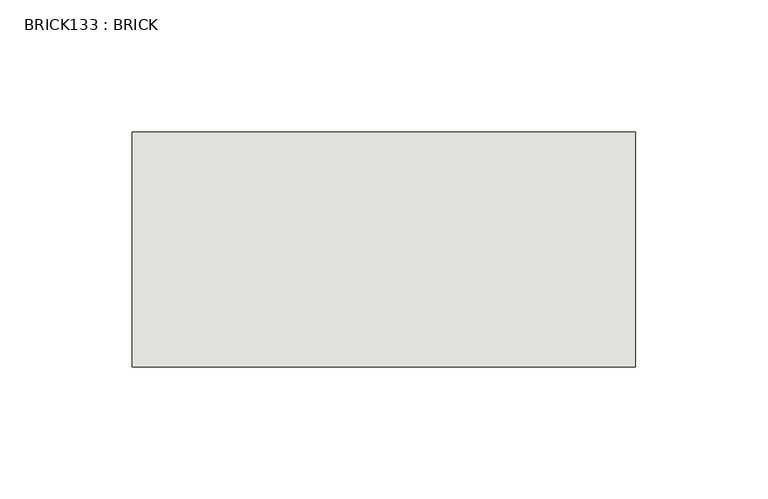
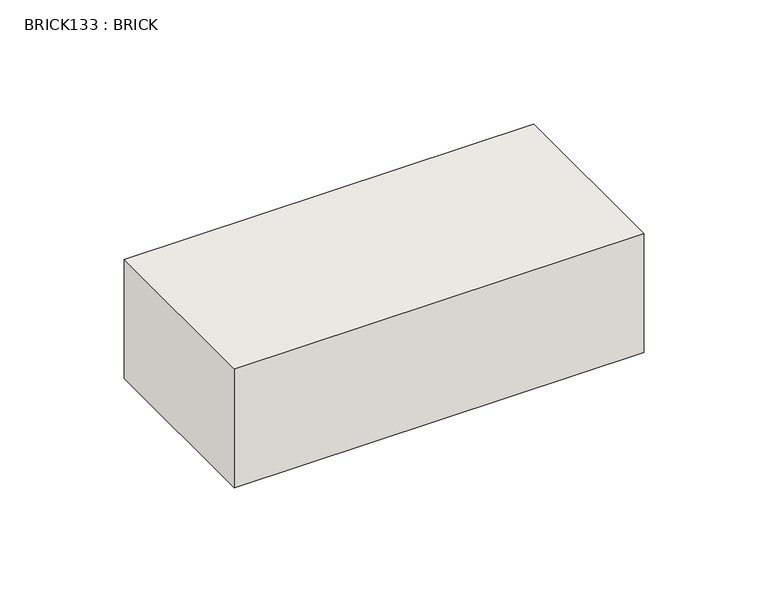
"""IFC4 building model written with IfcOpenShell, lengths in millimetres: wall geometry, BRICK133 : BRICK."""

from ifc_helpers import new_model, si_unit, frame, origin, place, context, project, spatial, polyline, outline, extrude, source, transform, mapped, element, save


def brick133_brick_ef6e62d7(model_context):
    return source(origin(), model_context, "Body", "SweptSolid", [
        extrude(outline(polyline([(225.2530711, 2586.2274125), (415.7530711, 2586.2274125), (415.7530711, 2497.3274125), (225.2530711, 2497.3274125), (225.2530711, 2586.2274125)])), frame((0.0, 0.0, 214.0148438), z_axis=(0.0, 0.0, 1.0), x_axis=(1.0, 0.0, 0.0)), (0.0, 0.0, 1.0), 58.4398437),
    ])


if __name__ == "__main__":
    model = new_model("IFC4")
    model_context = context("Model", 3, world=origin())
    ifc_project = project(units=[si_unit("LENGTHUNIT", "METRE", prefix="MILLI")], contexts=[model_context])
    site = spatial("IfcSite", under=ifc_project)
    building = spatial("IfcBuilding", under=site)
    placement = place(None, origin())
    brick133_brick_shape = brick133_brick_ef6e62d7(model_context)
    element("IfcWall", 1, ObjectType="BRICK133 : BRICK", at=placement, inside=building, context=model_context, shape_type="MappedRepresentation", body=[
        mapped(brick133_brick_shape, transform((0.0, 0.0, 0.0), x_axis=(1.0, 0.0, 0.0), y_axis=(0.0, 1.0, 0.0), z_axis=(0.0, 0.0, 1.0))),
    ])
    save(model, "model.ifc")
